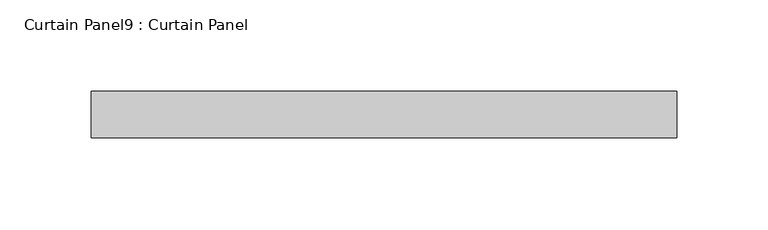
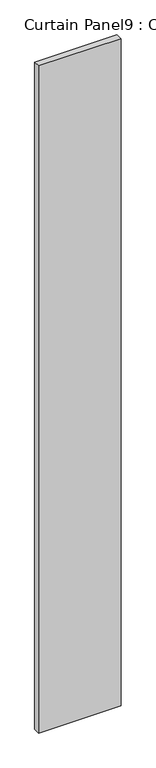
"""IFC4 building model written with IfcOpenShell, lengths in millimetres: plate geometry, Curtain Panel9 : Curtain Panel."""

from ifc_helpers import new_model, si_unit, frame, origin, place, context, project, spatial, polyline, outline, extrude, source, transform, mapped, element, save


def curtain_panel9_curtain_panel_6f15587c(model_context):
    return source(origin(), model_context, "Body", "SweptSolid", [
        extrude(outline(polyline([(-11226.3723615, 1996.1323351), (-11547.0428657, 1996.1323351), (-11547.0428657, 2021.5323351), (-11226.3723615, 2021.5323351), (-11226.3723615, 1996.1323351)])), frame((0.0, 0.0, -680.0975461), z_axis=(0.0, 0.0, 1.0), x_axis=(1.0, 0.0, 0.0)), (0.0, 0.0, 1.0), 2743.2),
    ])


if __name__ == "__main__":
    model = new_model("IFC4")
    model_context = context("Model", 3, world=origin())
    ifc_project = project(units=[si_unit("LENGTHUNIT", "METRE", prefix="MILLI")], contexts=[model_context])
    site = spatial("IfcSite", under=ifc_project)
    building = spatial("IfcBuilding", under=site)
    placement = place(None, origin())
    curtain_panel9_curtain_panel_shape = curtain_panel9_curtain_panel_6f15587c(model_context)
    element("IfcPlate", 1, ObjectType="Curtain Panel9 : Curtain Panel", at=placement, inside=building, context=model_context, shape_type="MappedRepresentation", body=[
        mapped(curtain_panel9_curtain_panel_shape, transform((0.0, 0.0, 0.0), x_axis=(1.0, 0.0, 0.0), y_axis=(0.0, 1.0, 0.0), z_axis=(0.0, 0.0, 1.0))),
    ])
    save(model, "model.ifc")
